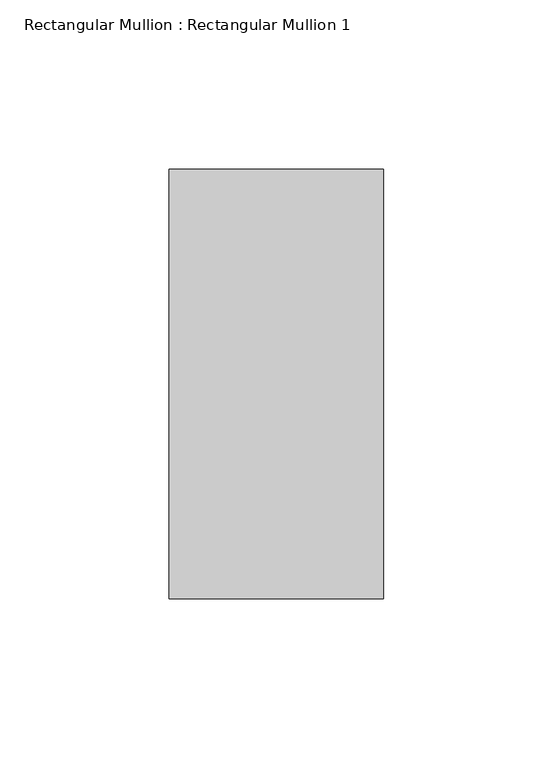
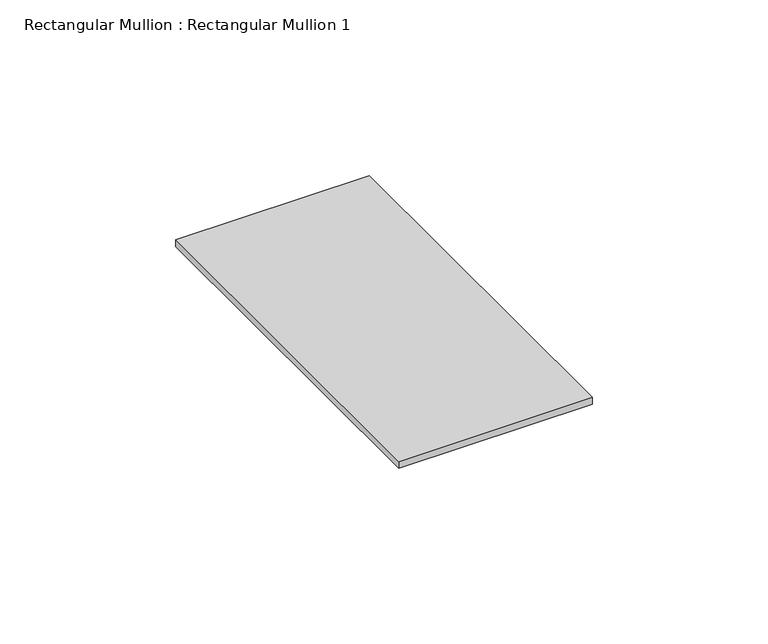
"""IFC4 building model written with IfcOpenShell, lengths in millimetres: member geometry, Rectangular Mullion : Rectangular Mullion 1."""

from ifc_helpers import new_model, si_unit, frame, origin, place, context, project, spatial, polyline, outline, extrude, source, transform, mapped, element, save


def rectangular_mullion_rectangular_mullion_1_71a8dbec(model_context):
    return source(origin(), model_context, "Body", "SweptSolid", [
        extrude(outline(polyline([(31.75, 63.5), (31.75, -63.5), (-31.75, -63.5), (-31.75, 63.5), (31.75, 63.5)])), frame((0.0, 0.0, -2.3427962), z_axis=(0.0, 0.0, 1.0), x_axis=(1.0, 0.0, 0.0)), (0.0, 0.0, 1.0), 2.3427962),
    ])


if __name__ == "__main__":
    model = new_model("IFC4")
    model_context = context("Model", 3, world=origin())
    ifc_project = project(units=[si_unit("LENGTHUNIT", "METRE", prefix="MILLI")], contexts=[model_context])
    site = spatial("IfcSite", under=ifc_project)
    building = spatial("IfcBuilding", under=site)
    placement = place(None, origin())
    rectangular_mullion_rectangular_mullion_1_shape = rectangular_mullion_rectangular_mullion_1_71a8dbec(model_context)
    element("IfcMember", 1, ObjectType="Rectangular Mullion : Rectangular Mullion 1", at=placement, inside=building, context=model_context, shape_type="MappedRepresentation", body=[
        mapped(rectangular_mullion_rectangular_mullion_1_shape, transform((0.0, 0.0, 0.0), x_axis=(1.0, 0.0, 0.0), y_axis=(0.0, 1.0, 0.0), z_axis=(0.0, 0.0, 1.0))),
    ])
    save(model, "model.ifc")
